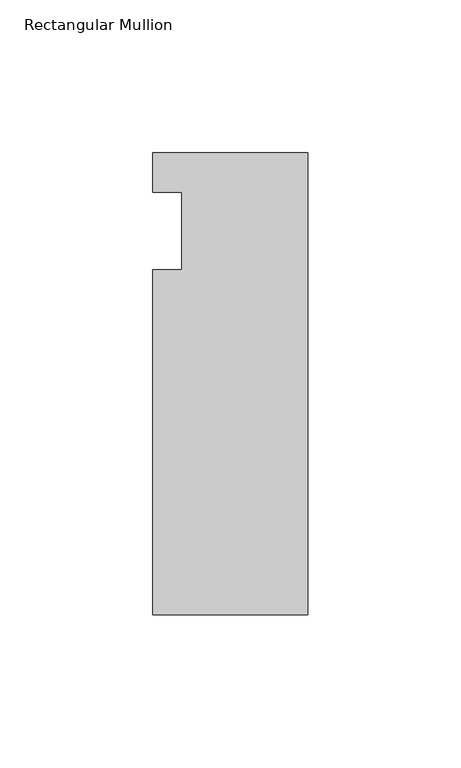
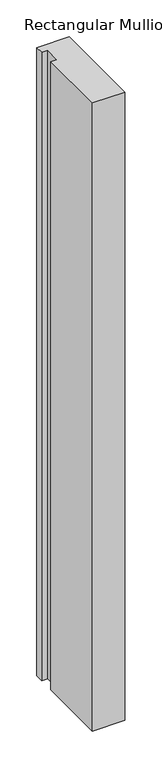
"""IFC4 building model written with IfcOpenShell, lengths in millimetres: member geometry, Rectangular Mullion."""

from ifc_helpers import new_model, si_unit, frame, origin, place, context, project, spatial, polyline, outline, extrude, source, transform, mapped, element, save


def rectangular_mullion_ebd5fd64(model_context):
    return source(origin(), model_context, "Body", "SweptSolid", [
        extrude(outline(polyline([(-50.8, 25.5984375), (0.0, 25.5984375), (0.0, -125.6109375), (-50.8, -125.6109375), (-50.8, -12.7), (-41.275, -12.7), (-41.275, 12.7), (-50.8, 12.7), (-50.8, 25.5984375)])), frame((0.0, 0.0, -1042.56492), z_axis=(0.0, 0.0, 1.0), x_axis=(1.0, 0.0, 0.0)), (0.0, 0.0, 1.0), 1042.56492),
    ])


if __name__ == "__main__":
    model = new_model("IFC4")
    model_context = context("Model", 3, world=origin())
    ifc_project = project(units=[si_unit("LENGTHUNIT", "METRE", prefix="MILLI")], contexts=[model_context])
    site = spatial("IfcSite", under=ifc_project)
    building = spatial("IfcBuilding", under=site)
    placement = place(None, origin())
    rectangular_mullion_shape = rectangular_mullion_ebd5fd64(model_context)
    element("IfcMember", 1, ObjectType="Rectangular Mullion", at=placement, inside=building, context=model_context, shape_type="MappedRepresentation", body=[
        mapped(rectangular_mullion_shape, transform((0.0, 0.0, 0.0), x_axis=(1.0, 0.0, 0.0), y_axis=(0.0, 1.0, 0.0), z_axis=(0.0, 0.0, 1.0))),
    ])
    save(model, "model.ifc")
